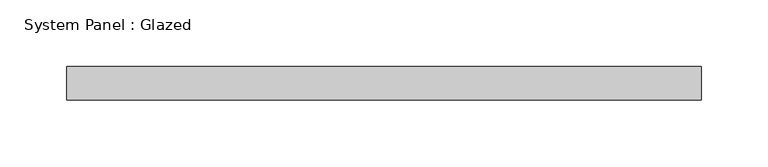
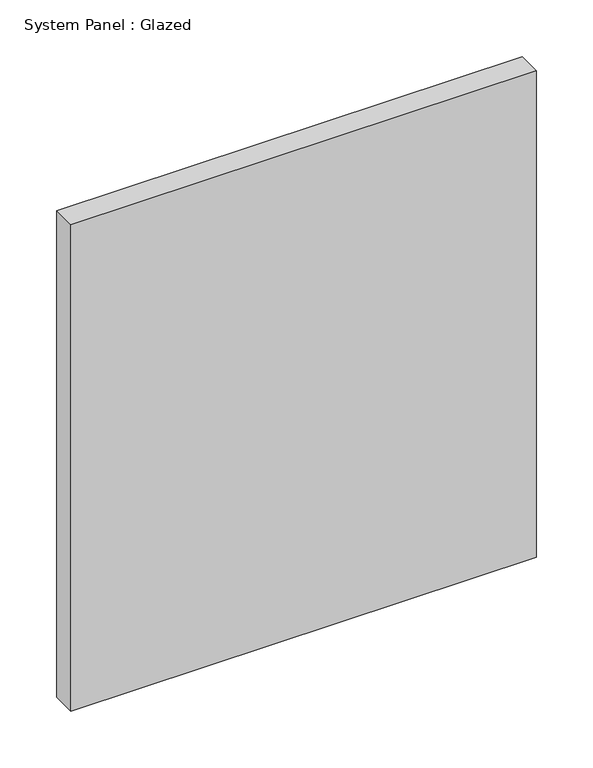
"""IFC4 building model written with IfcOpenShell, lengths in millimetres: plate geometry, System Panel : Glazed."""

import ifcopenshell
import ifcopenshell.guid

model = None  # the IFC model being written
_history = None  # IfcOwnerHistory: only IFC2X3 demands one
_inside = {}  # id of a spatial element -> (the spatial element, [elements in it])
_under = {}  # id of a project, library or spatial element -> (it, [spatial elements below it])
_declared = {}  # id of a project -> (the project, [libraries it declares])
_typed = {}  # id of a type object -> (the type object, [elements of that type])
_made_of = {}  # id of a material, layer set ... -> (it, [elements and type objects made of it])


def new_model(schema):
    """Start an empty IFC model of exactly this schema.

    Asked for "IFC4X3", IfcOpenShell would pick the latest addendum, in which some entities
    have other attributes; the version numbers below select the first issue.
    IFC2X3 requires an IfcOwnerHistory on every rooted entity: one is made here for all.
    """
    global model, _history
    if schema == "IFC4X3":
        model = ifcopenshell.file(schema_version=(4, 3, 0, 0))
    else:
        model = ifcopenshell.file(schema=schema)
    _inside.clear()
    _under.clear()
    _declared.clear()
    _typed.clear()
    _made_of.clear()
    _history = None
    if model.schema == "IFC2X3":
        org = make("IfcOrganization", Name="unknown")
        user = make(
            "IfcPersonAndOrganization",
            ThePerson=make("IfcPerson", FamilyName="unknown"),
            TheOrganization=org,
        )
        app = make(
            "IfcApplication",
            ApplicationDeveloper=org,
            Version="unknown",
            ApplicationFullName="unknown",
            ApplicationIdentifier="unknown",
        )
        _history = make(
            "IfcOwnerHistory",
            OwningUser=user,
            OwningApplication=app,
            ChangeAction="ADDED",
            CreationDate=0,
        )
    return model


def make(cls, **values):
    """One entity of the class cls with the attributes given. An attribute that is None is left unset."""
    return model.create_entity(
        cls, **{name: value for name, value in values.items() if value is not None}
    )


def rooted(cls, **values):
    """An entity with a GlobalId (a new one), such as an element, a storey or a relation."""
    return make(cls, GlobalId=ifcopenshell.guid.new(), OwnerHistory=_history, **values)


def si_unit(unit_type, name, prefix=None):
    """IfcSIUnit, for example si_unit("LENGTHUNIT", "METRE", prefix="MILLI")."""
    return make("IfcSIUnit", UnitType=unit_type, Prefix=prefix, Name=name)


def assignment(units):
    """IfcUnitAssignment: the units of a project."""
    return None if units is None else make("IfcUnitAssignment", Units=units)


def point(xyz):
    """IfcCartesianPoint."""
    return None if xyz is None else make("IfcCartesianPoint", Coordinates=xyz)


def direction(xyz):
    """IfcDirection."""
    return None if xyz is None else make("IfcDirection", DirectionRatios=xyz)


def frame(location, z_axis=None, x_axis=None):
    """IfcAxis2Placement3D, a coordinate frame: its origin and axes. An axis left out is left unset."""
    return make(
        "IfcAxis2Placement3D",
        Location=point(location),
        Axis=direction(z_axis),
        RefDirection=direction(x_axis),
    )


def origin():
    """The frame at (0, 0, 0) with its axes left unset."""
    return frame((0.0, 0.0, 0.0))


def origin_with_axes():
    """The frame at (0, 0, 0) with the z axis (0, 0, 1) and the x axis (1, 0, 0) written out."""
    return frame((0.0, 0.0, 0.0), z_axis=(0.0, 0.0, 1.0), x_axis=(1.0, 0.0, 0.0))


def place(relative_to, where):
    """IfcLocalPlacement: puts the frame where relative to a parent placement (None: the world)."""
    return make(
        "IfcLocalPlacement", PlacementRelTo=relative_to, RelativePlacement=where
    )


def context(
    kind, dimensions, precision=None, world=None, true_north=None, identifier=None
):
    """IfcGeometricRepresentationContext, for example the 3D "Model" context."""
    return make(
        "IfcGeometricRepresentationContext",
        ContextIdentifier=identifier,
        ContextType=kind,
        CoordinateSpaceDimension=dimensions,
        Precision=precision,
        WorldCoordinateSystem=world,
        TrueNorth=true_north,
    )


def project(units=None, contexts=None):
    """IfcProject with its units and contexts."""
    return rooted(
        "IfcProject",
        Name="project",
        RepresentationContexts=contexts,
        UnitsInContext=assignment(units),
    )


def spatial(cls, under=None, at=None, **own):
    """A site, building, storey or space (cls), placed at a placement, below another one or the project."""
    s = rooted(cls, ObjectPlacement=at, **own)
    if under is not None:
        _under.setdefault(under.id(), (under, []))[1].append(s)
    return s


def polyline(points):
    """IfcPolyline through the points."""
    return make("IfcPolyline", Points=[point(p) for p in points])


def outline(outer, holes=None, kind="AREA"):
    """IfcArbitraryClosedProfileDef: a profile drawn as a closed curve; with holes, ...WithVoids."""
    if holes is None:
        return make("IfcArbitraryClosedProfileDef", ProfileType=kind, OuterCurve=outer)
    return make(
        "IfcArbitraryProfileDefWithVoids",
        ProfileType=kind,
        OuterCurve=outer,
        InnerCurves=holes,
    )


def extrude(swept, where, along, depth):
    """IfcExtrudedAreaSolid: the profile swept, set in the frame where, extruded along a direction by depth."""
    return make(
        "IfcExtrudedAreaSolid",
        SweptArea=swept,
        Position=where,
        ExtrudedDirection=direction(along),
        Depth=depth,
    )


def shape(context_of_items, identifier, shape_type, items):
    """IfcShapeRepresentation: the items that make up one representation, for example the "Body"."""
    return make(
        "IfcShapeRepresentation",
        ContextOfItems=context_of_items,
        RepresentationIdentifier=identifier,
        RepresentationType=shape_type,
        Items=items,
    )


def source(mapping_origin, context_of_items, identifier, shape_type, items):
    """IfcRepresentationMap: a shape defined once, which mapped items show again and again."""
    return make(
        "IfcRepresentationMap",
        MappingOrigin=mapping_origin,
        MappedRepresentation=shape(context_of_items, identifier, shape_type, items),
    )


def transform(
    local_origin,
    x_axis=None,
    y_axis=None,
    z_axis=None,
    scale=None,
    scale2=None,
    scale3=None,
    uniform=True,
):
    """IfcCartesianTransformationOperator3D, or its non-uniform kind. x_axis, y_axis, z_axis: its Axis1, 2, 3."""
    if uniform:
        return make(
            "IfcCartesianTransformationOperator3D",
            Axis1=direction(x_axis),
            Axis2=direction(y_axis),
            LocalOrigin=point(local_origin),
            Scale=scale,
            Axis3=direction(z_axis),
        )
    return make(
        "IfcCartesianTransformationOperator3DnonUniform",
        Axis1=direction(x_axis),
        Axis2=direction(y_axis),
        LocalOrigin=point(local_origin),
        Scale=scale,
        Axis3=direction(z_axis),
        Scale2=scale2,
        Scale3=scale3,
    )


def mapped(mapping_source, mapping_target):
    """IfcMappedItem: shows the shape of a source again, moved by a transform."""
    return make(
        "IfcMappedItem", MappingSource=mapping_source, MappingTarget=mapping_target
    )


def made_of(thing, what):
    """Note that an element or type object is made of a material, layer set ...; save() writes the relation."""
    if what is not None:
        _made_of.setdefault(what.id(), (what, []))[1].append(thing)
    return thing


def element(
    cls,
    number,
    at=None,
    inside=None,
    cuts=None,
    type_object=None,
    material=None,
    context=None,
    identifier="Body",
    shape_type=None,
    held_by="IfcProductDefinitionShape",
    body=None,
    shapes=None,
    **own,
):
    """One element of the class cls, such as IfcWall. Its Tag is "e" and its number.

    at: its placement. inside: the storey or other place that contains it. cuts: it is an
    opening in that element (IfcRelVoidsElement). A single representation is given by context,
    identifier, shape_type and body (its items); several are given by shapes. held_by: the class
    of the entity that holds the representations. save() writes the other relations.
    """
    e = rooted(cls, Tag="e%d" % number, ObjectPlacement=at, **own)
    if body is not None:
        shapes = [shape(context, identifier, shape_type, body)]
    if shapes is not None:
        e.Representation = make(held_by, Representations=shapes)
    if inside is not None:
        _inside.setdefault(inside.id(), (inside, []))[1].append(e)
    if cuts is not None:
        rooted(
            "IfcRelVoidsElement", RelatingBuildingElement=cuts, RelatedOpeningElement=e
        )
    if type_object is not None:
        _typed.setdefault(type_object.id(), (type_object, []))[1].append(e)
    return made_of(e, material)


def aggregate(whole, parts):
    """IfcRelAggregates: a whole, such as a stair, and the parts it consists of."""
    return rooted("IfcRelAggregates", RelatingObject=whole, RelatedObjects=parts)


def save(model, path):
    """Write the relations noted so far, then the file.

    IfcRelAggregates (storeys below a building ...), IfcRelContainedInSpatialStructure (elements
    in a storey), IfcRelDefinesByType, IfcRelAssociatesMaterial and IfcRelDeclares: one each for
    every whole, place, type object, material and project.
    """
    for whole, parts in _under.values():
        aggregate(whole, parts)
    for where, things in _inside.values():
        rooted(
            "IfcRelContainedInSpatialStructure",
            RelatedElements=things,
            RelatingStructure=where,
        )
    for kind, things in _typed.values():
        rooted("IfcRelDefinesByType", RelatedObjects=things, RelatingType=kind)
    for what, things in _made_of.values():
        rooted("IfcRelAssociatesMaterial", RelatedObjects=things, RelatingMaterial=what)
    for by, libraries in _declared.values():
        rooted("IfcRelDeclares", RelatingContext=by, RelatedDefinitions=libraries)
    model.write(path)


def system_panel_glazed_38885c86(model_context):
    return source(origin(), model_context, "Body", "SweptSolid", [
        extrude(outline(polyline([(237.4996295, -49.5), (-237.4996295, -49.5), (-237.4996295, -24.5), (237.4996295, -24.5), (237.4996295, -49.5)])), origin_with_axes(), (0.0, 0.0, 1.0), 525.0),
    ])


if __name__ == "__main__":
    model = new_model("IFC4")
    model_context = context("Model", 3, world=origin())
    ifc_project = project(units=[si_unit("LENGTHUNIT", "METRE", prefix="MILLI")], contexts=[model_context])
    site = spatial("IfcSite", under=ifc_project)
    building = spatial("IfcBuilding", under=site)
    placement = place(None, origin())
    system_panel_glazed_shape = system_panel_glazed_38885c86(model_context)
    element("IfcPlate", 1, ObjectType="System Panel : Glazed", at=placement, inside=building, context=model_context, shape_type="MappedRepresentation", body=[
        mapped(system_panel_glazed_shape, transform((0.0, 0.0, 0.0), x_axis=(1.0, 0.0, 0.0), y_axis=(0.0, 1.0, 0.0), z_axis=(0.0, 0.0, 1.0))),
    ])
    save(model, "model.ifc")
